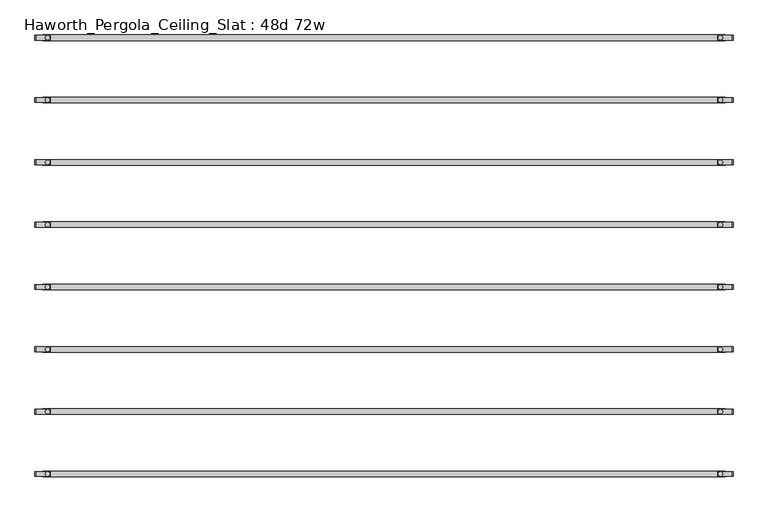
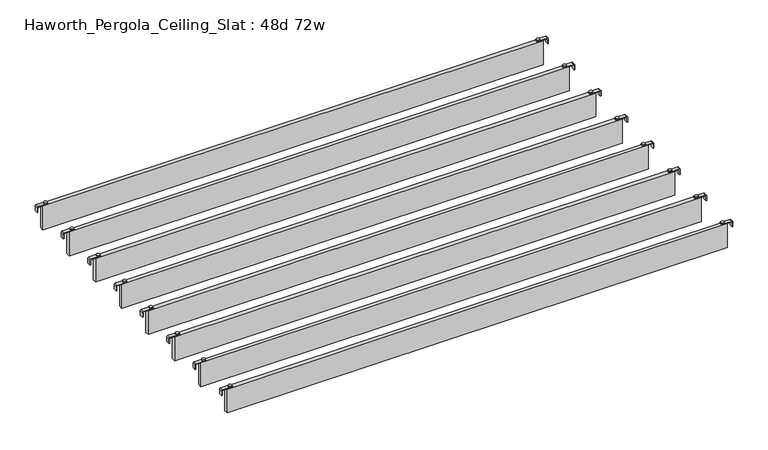
"""IFC4 building model written with IfcOpenShell, lengths in millimetres: furniture geometry, Haworth_Pergola_Ceiling_Slat : 48d 72w."""

from ifc_helpers import new_model, si_unit, point, frame, frame_2d, origin, place, context, project, spatial, polyline, circle_curve, trimmed, segment, composite_curve, outline, extrude, source, transform, mapped, element, save


def haworth_pergola_ceiling_slat_48d_72w_9167b2ec(model_context):
    return source(origin(), model_context, "Body", "SweptSolid", [
        extrude(outline(composite_curve([segment(trimmed(circle_curve(frame_2d((938.8, 921.4212857)), 5.9838099), [point((932.8161901, 921.4212857))], [point((944.7838099, 921.4212857))], False, "CARTESIAN"), True, "CONTINUOUS"), segment(trimmed(circle_curve(frame_2d((938.8, 921.4212857)), 5.9838099), [point((944.7838099, 921.4212857))], [point((932.8161901, 921.4212857))], False, "CARTESIAN"), True, "CONTINUOUS")], self_intersect=False)), frame((0.0, 0.0, 2440.9329992), z_axis=(0.0, 0.0, 1.0), x_axis=(1.0, 0.0, 0.0)), (0.0, 0.0, 1.0), 3.4400008),
        extrude(outline(composite_curve([segment(trimmed(circle_curve(frame_2d((-862.6, 921.4212857)), 5.9838099), [point((-856.6161901, 921.4212857))], [point((-868.5838099, 921.4212857))], False, "CARTESIAN"), True, "CONTINUOUS"), segment(trimmed(circle_curve(frame_2d((-862.6, 921.4212857)), 5.9838099), [point((-868.5838099, 921.4212857))], [point((-856.6161901, 921.4212857))], False, "CARTESIAN"), True, "CONTINUOUS")], self_intersect=False)), frame((0.0, 0.0, 2440.9329992), z_axis=(0.0, 0.0, 1.0), x_axis=(1.0, 0.0, 0.0)), (0.0, 0.0, 1.0), 3.4400008),
        extrude(outline(composite_curve([segment(polyline([(2419.2231711, 972.96), (2437.2499992, 972.96)]), True, "CONTINUOUS"), segment(trimmed(circle_curve(frame_2d((2437.2499992, 969.277)), 3.683), [point((2437.2499992, 972.96))], [point((2440.9329992, 969.277))], False, "CARTESIAN"), True, "CONTINUOUS"), segment(polyline([(2440.9329992, 969.277), (2440.9329992, 932.3), (2438.2729997, 932.3), (2438.2729997, 969.2905568)]), True, "CONTINUOUS"), segment(trimmed(circle_curve(frame_2d((2437.2635571, 969.2905568)), 1.0094425), [point((2438.2729997, 969.2905568))], [point((2437.2635571, 970.2999993))], True, "CARTESIAN"), True, "CONTINUOUS"), segment(polyline([(2437.2635571, 970.2999993), (2419.2231711, 970.2999993), (2419.2231711, 972.96)]), True, "CONTINUOUS")], self_intersect=False)), frame((0.0, 914.9142861, 0.0), z_axis=(0.0, 1.0, 0.0), x_axis=(0.0, 0.0, 1.0)), (0.0, 0.0, 1.0), 13.0),
        extrude(outline(composite_curve([segment(polyline([(2419.2231711, -896.76), (2419.2231711, -894.0999993), (2437.2635571, -894.0999993)]), True, "CONTINUOUS"), segment(trimmed(circle_curve(frame_2d((2437.2635571, -893.0905568)), 1.0094425), [point((2437.2635571, -894.0999993))], [point((2438.2729997, -893.0905568))], True, "CARTESIAN"), True, "CONTINUOUS"), segment(polyline([(2438.2729997, -893.0905568), (2438.2729997, -856.1), (2440.9329992, -856.1), (2440.9329992, -893.077)]), True, "CONTINUOUS"), segment(trimmed(circle_curve(frame_2d((2437.2499992, -893.077)), 3.683), [point((2440.9329992, -893.077))], [point((2437.2499992, -896.76))], False, "CARTESIAN"), True, "CONTINUOUS"), segment(polyline([(2437.2499992, -896.76), (2419.2231711, -896.76)]), True, "CONTINUOUS")], self_intersect=False)), frame((0.0, 914.9142861, 0.0), z_axis=(0.0, 1.0, 0.0), x_axis=(0.0, 0.0, 1.0)), (0.0, 0.0, 1.0), 13.0),
        extrude(outline(polyline([(-876.3, 928.9142857), (952.5, 928.9142857), (952.5, 913.9282857), (-876.3, 913.9282857), (-876.3, 928.9142857)])), frame((0.0, 0.0, 2346.198), z_axis=(0.0, 0.0, 1.0), x_axis=(1.0, 0.0, 0.0)), (0.0, 0.0, 1.0), 92.202),
        extrude(outline(composite_curve([segment(trimmed(circle_curve(frame_2d((938.8, 1088.3355714)), 5.9838099), [point((932.8161901, 1088.3355714))], [point((944.7838099, 1088.3355714))], False, "CARTESIAN"), True, "CONTINUOUS"), segment(trimmed(circle_curve(frame_2d((938.8, 1088.3355714)), 5.9838099), [point((944.7838099, 1088.3355714))], [point((932.8161901, 1088.3355714))], False, "CARTESIAN"), True, "CONTINUOUS")], self_intersect=False)), frame((0.0, 0.0, 2440.9329992), z_axis=(0.0, 0.0, 1.0), x_axis=(1.0, 0.0, 0.0)), (0.0, 0.0, 1.0), 3.4400008),
        extrude(outline(composite_curve([segment(trimmed(circle_curve(frame_2d((-862.6, 1088.3355714)), 5.9838099), [point((-856.6161901, 1088.3355714))], [point((-868.5838099, 1088.3355714))], False, "CARTESIAN"), True, "CONTINUOUS"), segment(trimmed(circle_curve(frame_2d((-862.6, 1088.3355714)), 5.9838099), [point((-868.5838099, 1088.3355714))], [point((-856.6161901, 1088.3355714))], False, "CARTESIAN"), True, "CONTINUOUS")], self_intersect=False)), frame((0.0, 0.0, 2440.9329992), z_axis=(0.0, 0.0, 1.0), x_axis=(1.0, 0.0, 0.0)), (0.0, 0.0, 1.0), 3.4400008),
        extrude(outline(composite_curve([segment(polyline([(2419.2231711, 972.96), (2437.2499992, 972.96)]), True, "CONTINUOUS"), segment(trimmed(circle_curve(frame_2d((2437.2499992, 969.277)), 3.683), [point((2437.2499992, 972.96))], [point((2440.9329992, 969.277))], False, "CARTESIAN"), True, "CONTINUOUS"), segment(polyline([(2440.9329992, 969.277), (2440.9329992, 932.3), (2438.2729997, 932.3), (2438.2729997, 969.2905568)]), True, "CONTINUOUS"), segment(trimmed(circle_curve(frame_2d((2437.2635571, 969.2905568)), 1.0094425), [point((2438.2729997, 969.2905568))], [point((2437.2635571, 970.2999993))], True, "CARTESIAN"), True, "CONTINUOUS"), segment(polyline([(2437.2635571, 970.2999993), (2419.2231711, 970.2999993), (2419.2231711, 972.96)]), True, "CONTINUOUS")], self_intersect=False)), frame((0.0, 1081.8285718, 0.0), z_axis=(0.0, 1.0, 0.0), x_axis=(0.0, 0.0, 1.0)), (0.0, 0.0, 1.0), 13.0),
        extrude(outline(composite_curve([segment(polyline([(2419.2231711, -896.76), (2419.2231711, -894.0999993), (2437.2635571, -894.0999993)]), True, "CONTINUOUS"), segment(trimmed(circle_curve(frame_2d((2437.2635571, -893.0905568)), 1.0094425), [point((2437.2635571, -894.0999993))], [point((2438.2729997, -893.0905568))], True, "CARTESIAN"), True, "CONTINUOUS"), segment(polyline([(2438.2729997, -893.0905568), (2438.2729997, -856.1), (2440.9329992, -856.1), (2440.9329992, -893.077)]), True, "CONTINUOUS"), segment(trimmed(circle_curve(frame_2d((2437.2499992, -893.077)), 3.683), [point((2440.9329992, -893.077))], [point((2437.2499992, -896.76))], False, "CARTESIAN"), True, "CONTINUOUS"), segment(polyline([(2437.2499992, -896.76), (2419.2231711, -896.76)]), True, "CONTINUOUS")], self_intersect=False)), frame((0.0, 1081.8285718, 0.0), z_axis=(0.0, 1.0, 0.0), x_axis=(0.0, 0.0, 1.0)), (0.0, 0.0, 1.0), 13.0),
        extrude(outline(polyline([(-876.3, 1095.8285714), (952.5, 1095.8285714), (952.5, 1080.8425714), (-876.3, 1080.8425714), (-876.3, 1095.8285714)])), frame((0.0, 0.0, 2346.198), z_axis=(0.0, 0.0, 1.0), x_axis=(1.0, 0.0, 0.0)), (0.0, 0.0, 1.0), 92.202),
        extrude(outline(composite_curve([segment(trimmed(circle_curve(frame_2d((938.8, 1255.2498571)), 5.9838099), [point((932.8161901, 1255.2498571))], [point((944.7838099, 1255.2498571))], False, "CARTESIAN"), True, "CONTINUOUS"), segment(trimmed(circle_curve(frame_2d((938.8, 1255.2498571)), 5.9838099), [point((944.7838099, 1255.2498571))], [point((932.8161901, 1255.2498571))], False, "CARTESIAN"), True, "CONTINUOUS")], self_intersect=False)), frame((0.0, 0.0, 2440.9329992), z_axis=(0.0, 0.0, 1.0), x_axis=(1.0, 0.0, 0.0)), (0.0, 0.0, 1.0), 3.4400008),
        extrude(outline(composite_curve([segment(trimmed(circle_curve(frame_2d((-862.6, 1255.2498571)), 5.9838099), [point((-856.6161901, 1255.2498571))], [point((-868.5838099, 1255.2498571))], False, "CARTESIAN"), True, "CONTINUOUS"), segment(trimmed(circle_curve(frame_2d((-862.6, 1255.2498571)), 5.9838099), [point((-868.5838099, 1255.2498571))], [point((-856.6161901, 1255.2498571))], False, "CARTESIAN"), True, "CONTINUOUS")], self_intersect=False)), frame((0.0, 0.0, 2440.9329992), z_axis=(0.0, 0.0, 1.0), x_axis=(1.0, 0.0, 0.0)), (0.0, 0.0, 1.0), 3.4400008),
        extrude(outline(composite_curve([segment(polyline([(2419.2231711, 972.96), (2437.2499992, 972.96)]), True, "CONTINUOUS"), segment(trimmed(circle_curve(frame_2d((2437.2499992, 969.277)), 3.683), [point((2437.2499992, 972.96))], [point((2440.9329992, 969.277))], False, "CARTESIAN"), True, "CONTINUOUS"), segment(polyline([(2440.9329992, 969.277), (2440.9329992, 932.3), (2438.2729997, 932.3), (2438.2729997, 969.2905568)]), True, "CONTINUOUS"), segment(trimmed(circle_curve(frame_2d((2437.2635571, 969.2905568)), 1.0094425), [point((2438.2729997, 969.2905568))], [point((2437.2635571, 970.2999993))], True, "CARTESIAN"), True, "CONTINUOUS"), segment(polyline([(2437.2635571, 970.2999993), (2419.2231711, 970.2999993), (2419.2231711, 972.96)]), True, "CONTINUOUS")], self_intersect=False)), frame((0.0, 1248.7428575, 0.0), z_axis=(0.0, 1.0, 0.0), x_axis=(0.0, 0.0, 1.0)), (0.0, 0.0, 1.0), 13.0),
        extrude(outline(composite_curve([segment(polyline([(2419.2231711, -896.76), (2419.2231711, -894.0999993), (2437.2635571, -894.0999993)]), True, "CONTINUOUS"), segment(trimmed(circle_curve(frame_2d((2437.2635571, -893.0905568)), 1.0094425), [point((2437.2635571, -894.0999993))], [point((2438.2729997, -893.0905568))], True, "CARTESIAN"), True, "CONTINUOUS"), segment(polyline([(2438.2729997, -893.0905568), (2438.2729997, -856.1), (2440.9329992, -856.1), (2440.9329992, -893.077)]), True, "CONTINUOUS"), segment(trimmed(circle_curve(frame_2d((2437.2499992, -893.077)), 3.683), [point((2440.9329992, -893.077))], [point((2437.2499992, -896.76))], False, "CARTESIAN"), True, "CONTINUOUS"), segment(polyline([(2437.2499992, -896.76), (2419.2231711, -896.76)]), True, "CONTINUOUS")], self_intersect=False)), frame((0.0, 1248.7428575, 0.0), z_axis=(0.0, 1.0, 0.0), x_axis=(0.0, 0.0, 1.0)), (0.0, 0.0, 1.0), 13.0),
        extrude(outline(polyline([(-876.3, 1262.7428571), (952.5, 1262.7428571), (952.5, 1247.7568571), (-876.3, 1247.7568571), (-876.3, 1262.7428571)])), frame((0.0, 0.0, 2346.198), z_axis=(0.0, 0.0, 1.0), x_axis=(1.0, 0.0, 0.0)), (0.0, 0.0, 1.0), 92.202),
        extrude(outline(composite_curve([segment(trimmed(circle_curve(frame_2d((938.8, 1422.1641429)), 5.9838099), [point((932.8161901, 1422.1641429))], [point((944.7838099, 1422.1641429))], False, "CARTESIAN"), True, "CONTINUOUS"), segment(trimmed(circle_curve(frame_2d((938.8, 1422.1641429)), 5.9838099), [point((944.7838099, 1422.1641429))], [point((932.8161901, 1422.1641429))], False, "CARTESIAN"), True, "CONTINUOUS")], self_intersect=False)), frame((0.0, 0.0, 2440.9329992), z_axis=(0.0, 0.0, 1.0), x_axis=(1.0, 0.0, 0.0)), (0.0, 0.0, 1.0), 3.4400008),
        extrude(outline(composite_curve([segment(trimmed(circle_curve(frame_2d((-862.6, 1422.1641429)), 5.9838099), [point((-856.6161901, 1422.1641429))], [point((-868.5838099, 1422.1641429))], False, "CARTESIAN"), True, "CONTINUOUS"), segment(trimmed(circle_curve(frame_2d((-862.6, 1422.1641429)), 5.9838099), [point((-868.5838099, 1422.1641429))], [point((-856.6161901, 1422.1641429))], False, "CARTESIAN"), True, "CONTINUOUS")], self_intersect=False)), frame((0.0, 0.0, 2440.9329992), z_axis=(0.0, 0.0, 1.0), x_axis=(1.0, 0.0, 0.0)), (0.0, 0.0, 1.0), 3.4400008),
        extrude(outline(composite_curve([segment(polyline([(2419.2231711, 972.96), (2437.2499992, 972.96)]), True, "CONTINUOUS"), segment(trimmed(circle_curve(frame_2d((2437.2499992, 969.277)), 3.683), [point((2437.2499992, 972.96))], [point((2440.9329992, 969.277))], False, "CARTESIAN"), True, "CONTINUOUS"), segment(polyline([(2440.9329992, 969.277), (2440.9329992, 932.3), (2438.2729997, 932.3), (2438.2729997, 969.2905568)]), True, "CONTINUOUS"), segment(trimmed(circle_curve(frame_2d((2437.2635571, 969.2905568)), 1.0094425), [point((2438.2729997, 969.2905568))], [point((2437.2635571, 970.2999993))], True, "CARTESIAN"), True, "CONTINUOUS"), segment(polyline([(2437.2635571, 970.2999993), (2419.2231711, 970.2999993), (2419.2231711, 972.96)]), True, "CONTINUOUS")], self_intersect=False)), frame((0.0, 1415.6571432, 0.0), z_axis=(0.0, 1.0, 0.0), x_axis=(0.0, 0.0, 1.0)), (0.0, 0.0, 1.0), 13.0),
        extrude(outline(composite_curve([segment(polyline([(2419.2231711, -896.76), (2419.2231711, -894.0999993), (2437.2635571, -894.0999993)]), True, "CONTINUOUS"), segment(trimmed(circle_curve(frame_2d((2437.2635571, -893.0905568)), 1.0094425), [point((2437.2635571, -894.0999993))], [point((2438.2729997, -893.0905568))], True, "CARTESIAN"), True, "CONTINUOUS"), segment(polyline([(2438.2729997, -893.0905568), (2438.2729997, -856.1), (2440.9329992, -856.1), (2440.9329992, -893.077)]), True, "CONTINUOUS"), segment(trimmed(circle_curve(frame_2d((2437.2499992, -893.077)), 3.683), [point((2440.9329992, -893.077))], [point((2437.2499992, -896.76))], False, "CARTESIAN"), True, "CONTINUOUS"), segment(polyline([(2437.2499992, -896.76), (2419.2231711, -896.76)]), True, "CONTINUOUS")], self_intersect=False)), frame((0.0, 1415.6571432, 0.0), z_axis=(0.0, 1.0, 0.0), x_axis=(0.0, 0.0, 1.0)), (0.0, 0.0, 1.0), 13.0),
        extrude(outline(polyline([(-876.3, 1429.6571429), (952.5, 1429.6571429), (952.5, 1414.6711429), (-876.3, 1414.6711429), (-876.3, 1429.6571429)])), frame((0.0, 0.0, 2346.198), z_axis=(0.0, 0.0, 1.0), x_axis=(1.0, 0.0, 0.0)), (0.0, 0.0, 1.0), 92.202),
        extrude(outline(composite_curve([segment(trimmed(circle_curve(frame_2d((938.8, 1589.0784286)), 5.9838099), [point((932.8161901, 1589.0784286))], [point((944.7838099, 1589.0784286))], False, "CARTESIAN"), True, "CONTINUOUS"), segment(trimmed(circle_curve(frame_2d((938.8, 1589.0784286)), 5.9838099), [point((944.7838099, 1589.0784286))], [point((932.8161901, 1589.0784286))], False, "CARTESIAN"), True, "CONTINUOUS")], self_intersect=False)), frame((0.0, 0.0, 2440.9329992), z_axis=(0.0, 0.0, 1.0), x_axis=(1.0, 0.0, 0.0)), (0.0, 0.0, 1.0), 3.4400008),
        extrude(outline(composite_curve([segment(trimmed(circle_curve(frame_2d((-862.6, 1589.0784286)), 5.9838099), [point((-856.6161901, 1589.0784286))], [point((-868.5838099, 1589.0784286))], False, "CARTESIAN"), True, "CONTINUOUS"), segment(trimmed(circle_curve(frame_2d((-862.6, 1589.0784286)), 5.9838099), [point((-868.5838099, 1589.0784286))], [point((-856.6161901, 1589.0784286))], False, "CARTESIAN"), True, "CONTINUOUS")], self_intersect=False)), frame((0.0, 0.0, 2440.9329992), z_axis=(0.0, 0.0, 1.0), x_axis=(1.0, 0.0, 0.0)), (0.0, 0.0, 1.0), 3.4400008),
        extrude(outline(composite_curve([segment(polyline([(2419.2231711, 972.96), (2437.2499992, 972.96)]), True, "CONTINUOUS"), segment(trimmed(circle_curve(frame_2d((2437.2499992, 969.277)), 3.683), [point((2437.2499992, 972.96))], [point((2440.9329992, 969.277))], False, "CARTESIAN"), True, "CONTINUOUS"), segment(polyline([(2440.9329992, 969.277), (2440.9329992, 932.3), (2438.2729997, 932.3), (2438.2729997, 969.2905568)]), True, "CONTINUOUS"), segment(trimmed(circle_curve(frame_2d((2437.2635571, 969.2905568)), 1.0094425), [point((2438.2729997, 969.2905568))], [point((2437.2635571, 970.2999993))], True, "CARTESIAN"), True, "CONTINUOUS"), segment(polyline([(2437.2635571, 970.2999993), (2419.2231711, 970.2999993), (2419.2231711, 972.96)]), True, "CONTINUOUS")], self_intersect=False)), frame((0.0, 1582.5714289, 0.0), z_axis=(0.0, 1.0, 0.0), x_axis=(0.0, 0.0, 1.0)), (0.0, 0.0, 1.0), 13.0),
        extrude(outline(composite_curve([segment(polyline([(2419.2231711, -896.76), (2419.2231711, -894.0999993), (2437.2635571, -894.0999993)]), True, "CONTINUOUS"), segment(trimmed(circle_curve(frame_2d((2437.2635571, -893.0905568)), 1.0094425), [point((2437.2635571, -894.0999993))], [point((2438.2729997, -893.0905568))], True, "CARTESIAN"), True, "CONTINUOUS"), segment(polyline([(2438.2729997, -893.0905568), (2438.2729997, -856.1), (2440.9329992, -856.1), (2440.9329992, -893.077)]), True, "CONTINUOUS"), segment(trimmed(circle_curve(frame_2d((2437.2499992, -893.077)), 3.683), [point((2440.9329992, -893.077))], [point((2437.2499992, -896.76))], False, "CARTESIAN"), True, "CONTINUOUS"), segment(polyline([(2437.2499992, -896.76), (2419.2231711, -896.76)]), True, "CONTINUOUS")], self_intersect=False)), frame((0.0, 1582.5714289, 0.0), z_axis=(0.0, 1.0, 0.0), x_axis=(0.0, 0.0, 1.0)), (0.0, 0.0, 1.0), 13.0),
        extrude(outline(polyline([(-876.3, 1596.5714286), (952.5, 1596.5714286), (952.5, 1581.5854286), (-876.3, 1581.5854286), (-876.3, 1596.5714286)])), frame((0.0, 0.0, 2346.198), z_axis=(0.0, 0.0, 1.0), x_axis=(1.0, 0.0, 0.0)), (0.0, 0.0, 1.0), 92.202),
        extrude(outline(composite_curve([segment(trimmed(circle_curve(frame_2d((938.8, 1755.9927143)), 5.9838099), [point((932.8161901, 1755.9927143))], [point((944.7838099, 1755.9927143))], False, "CARTESIAN"), True, "CONTINUOUS"), segment(trimmed(circle_curve(frame_2d((938.8, 1755.9927143)), 5.9838099), [point((944.7838099, 1755.9927143))], [point((932.8161901, 1755.9927143))], False, "CARTESIAN"), True, "CONTINUOUS")], self_intersect=False)), frame((0.0, 0.0, 2440.9329992), z_axis=(0.0, 0.0, 1.0), x_axis=(1.0, 0.0, 0.0)), (0.0, 0.0, 1.0), 3.4400008),
        extrude(outline(composite_curve([segment(trimmed(circle_curve(frame_2d((-862.6, 1755.9927143)), 5.9838099), [point((-856.6161901, 1755.9927143))], [point((-868.5838099, 1755.9927143))], False, "CARTESIAN"), True, "CONTINUOUS"), segment(trimmed(circle_curve(frame_2d((-862.6, 1755.9927143)), 5.9838099), [point((-868.5838099, 1755.9927143))], [point((-856.6161901, 1755.9927143))], False, "CARTESIAN"), True, "CONTINUOUS")], self_intersect=False)), frame((0.0, 0.0, 2440.9329992), z_axis=(0.0, 0.0, 1.0), x_axis=(1.0, 0.0, 0.0)), (0.0, 0.0, 1.0), 3.4400008),
        extrude(outline(composite_curve([segment(polyline([(2419.2231711, 972.96), (2437.2499992, 972.96)]), True, "CONTINUOUS"), segment(trimmed(circle_curve(frame_2d((2437.2499992, 969.277)), 3.683), [point((2437.2499992, 972.96))], [point((2440.9329992, 969.277))], False, "CARTESIAN"), True, "CONTINUOUS"), segment(polyline([(2440.9329992, 969.277), (2440.9329992, 932.3), (2438.2729997, 932.3), (2438.2729997, 969.2905568)]), True, "CONTINUOUS"), segment(trimmed(circle_curve(frame_2d((2437.2635571, 969.2905568)), 1.0094425), [point((2438.2729997, 969.2905568))], [point((2437.2635571, 970.2999993))], True, "CARTESIAN"), True, "CONTINUOUS"), segment(polyline([(2437.2635571, 970.2999993), (2419.2231711, 970.2999993), (2419.2231711, 972.96)]), True, "CONTINUOUS")], self_intersect=False)), frame((0.0, 1749.4857146, 0.0), z_axis=(0.0, 1.0, 0.0), x_axis=(0.0, 0.0, 1.0)), (0.0, 0.0, 1.0), 13.0),
        extrude(outline(composite_curve([segment(polyline([(2419.2231711, -896.76), (2419.2231711, -894.0999993), (2437.2635571, -894.0999993)]), True, "CONTINUOUS"), segment(trimmed(circle_curve(frame_2d((2437.2635571, -893.0905568)), 1.0094425), [point((2437.2635571, -894.0999993))], [point((2438.2729997, -893.0905568))], True, "CARTESIAN"), True, "CONTINUOUS"), segment(polyline([(2438.2729997, -893.0905568), (2438.2729997, -856.1), (2440.9329992, -856.1), (2440.9329992, -893.077)]), True, "CONTINUOUS"), segment(trimmed(circle_curve(frame_2d((2437.2499992, -893.077)), 3.683), [point((2440.9329992, -893.077))], [point((2437.2499992, -896.76))], False, "CARTESIAN"), True, "CONTINUOUS"), segment(polyline([(2437.2499992, -896.76), (2419.2231711, -896.76)]), True, "CONTINUOUS")], self_intersect=False)), frame((0.0, 1749.4857146, 0.0), z_axis=(0.0, 1.0, 0.0), x_axis=(0.0, 0.0, 1.0)), (0.0, 0.0, 1.0), 13.0),
        extrude(outline(polyline([(-876.3, 1763.4857143), (952.5, 1763.4857143), (952.5, 1748.4997143), (-876.3, 1748.4997143), (-876.3, 1763.4857143)])), frame((0.0, 0.0, 2346.198), z_axis=(0.0, 0.0, 1.0), x_axis=(1.0, 0.0, 0.0)), (0.0, 0.0, 1.0), 92.202),
        extrude(outline(composite_curve([segment(trimmed(circle_curve(frame_2d((938.8, 754.507)), 5.9838099), [point((932.8161901, 754.507))], [point((944.7838099, 754.507))], False, "CARTESIAN"), True, "CONTINUOUS"), segment(trimmed(circle_curve(frame_2d((938.8, 754.507)), 5.9838099), [point((944.7838099, 754.507))], [point((932.8161901, 754.507))], False, "CARTESIAN"), True, "CONTINUOUS")], self_intersect=False)), frame((0.0, 0.0, 2440.9329992), z_axis=(0.0, 0.0, 1.0), x_axis=(1.0, 0.0, 0.0)), (0.0, 0.0, 1.0), 3.4400008),
        extrude(outline(composite_curve([segment(trimmed(circle_curve(frame_2d((-862.6, 754.507)), 5.9838099), [point((-856.6161901, 754.507))], [point((-868.5838099, 754.507))], False, "CARTESIAN"), True, "CONTINUOUS"), segment(trimmed(circle_curve(frame_2d((-862.6, 754.507)), 5.9838099), [point((-868.5838099, 754.507))], [point((-856.6161901, 754.507))], False, "CARTESIAN"), True, "CONTINUOUS")], self_intersect=False)), frame((0.0, 0.0, 2440.9329992), z_axis=(0.0, 0.0, 1.0), x_axis=(1.0, 0.0, 0.0)), (0.0, 0.0, 1.0), 3.4400008),
        extrude(outline(composite_curve([segment(polyline([(2419.2231711, 972.96), (2437.2499992, 972.96)]), True, "CONTINUOUS"), segment(trimmed(circle_curve(frame_2d((2437.2499992, 969.277)), 3.683), [point((2437.2499992, 972.96))], [point((2440.9329992, 969.277))], False, "CARTESIAN"), True, "CONTINUOUS"), segment(polyline([(2440.9329992, 969.277), (2440.9329992, 932.3), (2438.2729997, 932.3), (2438.2729997, 969.2905568)]), True, "CONTINUOUS"), segment(trimmed(circle_curve(frame_2d((2437.2635571, 969.2905568)), 1.0094425), [point((2438.2729997, 969.2905568))], [point((2437.2635571, 970.2999993))], True, "CARTESIAN"), True, "CONTINUOUS"), segment(polyline([(2437.2635571, 970.2999993), (2419.2231711, 970.2999993), (2419.2231711, 972.96)]), True, "CONTINUOUS")], self_intersect=False)), frame((0.0, 748.0000003, 0.0), z_axis=(0.0, 1.0, 0.0), x_axis=(0.0, 0.0, 1.0)), (0.0, 0.0, 1.0), 13.0),
        extrude(outline(composite_curve([segment(polyline([(2419.2231711, -896.76), (2419.2231711, -894.0999993), (2437.2635571, -894.0999993)]), True, "CONTINUOUS"), segment(trimmed(circle_curve(frame_2d((2437.2635571, -893.0905568)), 1.0094425), [point((2437.2635571, -894.0999993))], [point((2438.2729997, -893.0905568))], True, "CARTESIAN"), True, "CONTINUOUS"), segment(polyline([(2438.2729997, -893.0905568), (2438.2729997, -856.1), (2440.9329992, -856.1), (2440.9329992, -893.077)]), True, "CONTINUOUS"), segment(trimmed(circle_curve(frame_2d((2437.2499992, -893.077)), 3.683), [point((2440.9329992, -893.077))], [point((2437.2499992, -896.76))], False, "CARTESIAN"), True, "CONTINUOUS"), segment(polyline([(2437.2499992, -896.76), (2419.2231711, -896.76)]), True, "CONTINUOUS")], self_intersect=False)), frame((0.0, 748.0000003, 0.0), z_axis=(0.0, 1.0, 0.0), x_axis=(0.0, 0.0, 1.0)), (0.0, 0.0, 1.0), 13.0),
        extrude(outline(polyline([(-876.3, 762.0), (952.5, 762.0), (952.5, 747.014), (-876.3, 747.014), (-876.3, 762.0)])), frame((0.0, 0.0, 2346.198), z_axis=(0.0, 0.0, 1.0), x_axis=(1.0, 0.0, 0.0)), (0.0, 0.0, 1.0), 92.202),
        extrude(outline(composite_curve([segment(trimmed(circle_curve(frame_2d((938.8, 1922.907)), 5.9838099), [point((932.8161901, 1922.907))], [point((944.7838099, 1922.907))], False, "CARTESIAN"), True, "CONTINUOUS"), segment(trimmed(circle_curve(frame_2d((938.8, 1922.907)), 5.9838099), [point((944.7838099, 1922.907))], [point((932.8161901, 1922.907))], False, "CARTESIAN"), True, "CONTINUOUS")], self_intersect=False)), frame((0.0, 0.0, 2440.9329992), z_axis=(0.0, 0.0, 1.0), x_axis=(1.0, 0.0, 0.0)), (0.0, 0.0, 1.0), 3.4400008),
        extrude(outline(composite_curve([segment(trimmed(circle_curve(frame_2d((-862.6, 1922.907)), 5.9838099), [point((-856.6161901, 1922.907))], [point((-868.5838099, 1922.907))], False, "CARTESIAN"), True, "CONTINUOUS"), segment(trimmed(circle_curve(frame_2d((-862.6, 1922.907)), 5.9838099), [point((-868.5838099, 1922.907))], [point((-856.6161901, 1922.907))], False, "CARTESIAN"), True, "CONTINUOUS")], self_intersect=False)), frame((0.0, 0.0, 2440.9329992), z_axis=(0.0, 0.0, 1.0), x_axis=(1.0, 0.0, 0.0)), (0.0, 0.0, 1.0), 3.4400008),
        extrude(outline(composite_curve([segment(polyline([(2419.2231711, 972.96), (2437.2499992, 972.96)]), True, "CONTINUOUS"), segment(trimmed(circle_curve(frame_2d((2437.2499992, 969.277)), 3.683), [point((2437.2499992, 972.96))], [point((2440.9329992, 969.277))], False, "CARTESIAN"), True, "CONTINUOUS"), segment(polyline([(2440.9329992, 969.277), (2440.9329992, 932.3), (2438.2729997, 932.3), (2438.2729997, 969.2905568)]), True, "CONTINUOUS"), segment(trimmed(circle_curve(frame_2d((2437.2635571, 969.2905568)), 1.0094425), [point((2438.2729997, 969.2905568))], [point((2437.2635571, 970.2999993))], True, "CARTESIAN"), True, "CONTINUOUS"), segment(polyline([(2437.2635571, 970.2999993), (2419.2231711, 970.2999993), (2419.2231711, 972.96)]), True, "CONTINUOUS")], self_intersect=False)), frame((0.0, 1916.4000003, 0.0), z_axis=(0.0, 1.0, 0.0), x_axis=(0.0, 0.0, 1.0)), (0.0, 0.0, 1.0), 13.0),
        extrude(outline(composite_curve([segment(polyline([(2419.2231711, -896.76), (2419.2231711, -894.0999993), (2437.2635571, -894.0999993)]), True, "CONTINUOUS"), segment(trimmed(circle_curve(frame_2d((2437.2635571, -893.0905568)), 1.0094425), [point((2437.2635571, -894.0999993))], [point((2438.2729997, -893.0905568))], True, "CARTESIAN"), True, "CONTINUOUS"), segment(polyline([(2438.2729997, -893.0905568), (2438.2729997, -856.1), (2440.9329992, -856.1), (2440.9329992, -893.077)]), True, "CONTINUOUS"), segment(trimmed(circle_curve(frame_2d((2437.2499992, -893.077)), 3.683), [point((2440.9329992, -893.077))], [point((2437.2499992, -896.76))], False, "CARTESIAN"), True, "CONTINUOUS"), segment(polyline([(2437.2499992, -896.76), (2419.2231711, -896.76)]), True, "CONTINUOUS")], self_intersect=False)), frame((0.0, 1916.4000003, 0.0), z_axis=(0.0, 1.0, 0.0), x_axis=(0.0, 0.0, 1.0)), (0.0, 0.0, 1.0), 13.0),
        extrude(outline(polyline([(-876.3, 1930.4), (952.5, 1930.4), (952.5, 1915.414), (-876.3, 1915.414), (-876.3, 1930.4)])), frame((0.0, 0.0, 2346.198), z_axis=(0.0, 0.0, 1.0), x_axis=(1.0, 0.0, 0.0)), (0.0, 0.0, 1.0), 92.202),
    ])


if __name__ == "__main__":
    model = new_model("IFC4")
    model_context = context("Model", 3, world=origin())
    ifc_project = project(units=[si_unit("LENGTHUNIT", "METRE", prefix="MILLI")], contexts=[model_context])
    site = spatial("IfcSite", under=ifc_project)
    building = spatial("IfcBuilding", under=site)
    placement = place(None, origin())
    haworth_pergola_ceiling_slat_48d_72w_shape = haworth_pergola_ceiling_slat_48d_72w_9167b2ec(model_context)
    element("IfcFurniture", 1, ObjectType="Haworth_Pergola_Ceiling_Slat : 48d 72w", at=placement, inside=building, context=model_context, shape_type="MappedRepresentation", body=[
        mapped(haworth_pergola_ceiling_slat_48d_72w_shape, transform((0.0, 0.0, 0.0), x_axis=(1.0, 0.0, 0.0), y_axis=(0.0, 1.0, 0.0), z_axis=(0.0, 0.0, 1.0))),
    ])
    save(model, "model.ifc")
